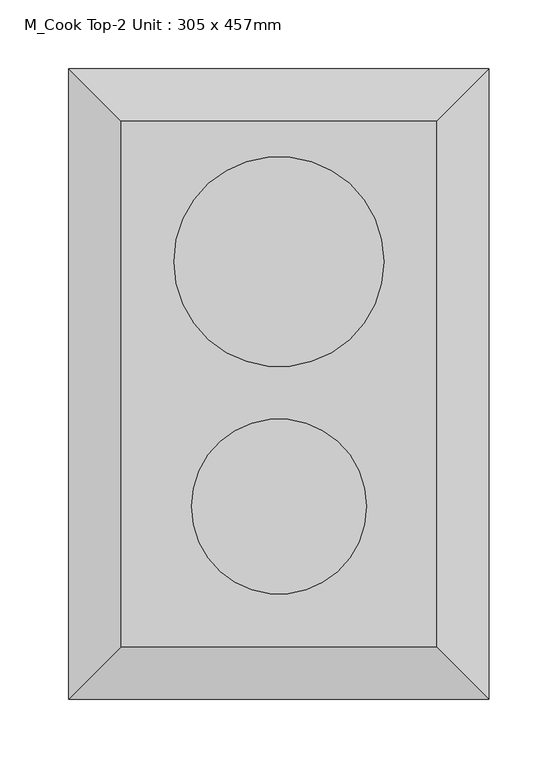
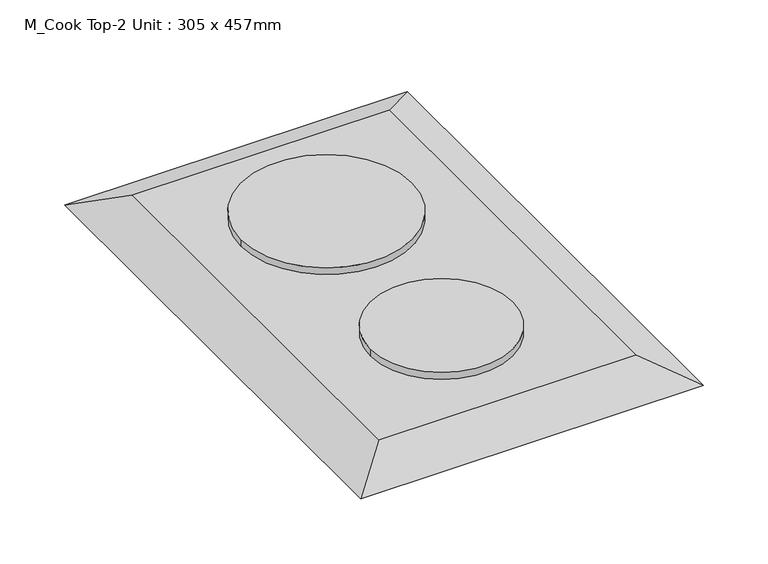
"""IFC4 building model written with IfcOpenShell, lengths in millimetres: proxy geometry, M_Cook Top-2 Unit : 305 x 457mm."""

from ifc_helpers import new_model, si_unit, point, frame, frame_2d, origin, place, context, project, spatial, circle_curve, trimmed, segment, composite_curve, outline, extrude, faceted_brep, source, transform, mapped, element, save


def m_cook_top_2_unit_305_x_457mm_ebea1746(model_context):
    return source(origin(), model_context, "Body", "SolidModel", [
        extrude(outline(composite_curve([segment(trimmed(circle_curve(frame_2d((76.2, 119.0247956)), 76.2), [point((152.4, 119.0247956))], [point((0.0, 119.0247956))], False, "CARTESIAN"), True, "CONTINUOUS"), segment(trimmed(circle_curve(frame_2d((76.2, 119.0247956)), 76.2), [point((0.0, 119.0247956))], [point((152.4, 119.0247956))], False, "CARTESIAN"), True, "CONTINUOUS")], self_intersect=False)), frame((0.0, 0.0, 919.05), z_axis=(0.0, 0.0, 1.0), x_axis=(1.0, 0.0, 0.0)), (0.0, 0.0, 1.0), 6.35),
        extrude(outline(composite_curve([segment(trimmed(circle_curve(frame_2d((76.2, -58.5752044)), 63.5), [point((139.7, -58.5752044))], [point((12.7, -58.5752044))], False, "CARTESIAN"), True, "CONTINUOUS"), segment(trimmed(circle_curve(frame_2d((76.2, -58.5752044)), 63.5), [point((12.7, -58.5752044))], [point((139.7, -58.5752044))], False, "CARTESIAN"), True, "CONTINUOUS")], self_intersect=False)), frame((0.0, 0.0, 919.05), z_axis=(0.0, 0.0, 1.0), x_axis=(1.0, 0.0, 0.0)), (0.0, 0.0, 1.0), 6.35),
        faceted_brep([(190.6, 220.6247956, 919.05), (-38.2, 220.6247956, 919.05), (-38.2, -160.1752044, 919.05), (190.6, -160.1752044, 919.05), (228.7, 258.7247956, 900.0), (228.7, -198.2752044, 900.0), (-76.3, -198.2752044, 900.0), (-76.3, 258.7247956, 900.0)], [[[0, 1, 2, 3]], [[4, 5, 6, 7]], [[4, 7, 1, 0]], [[7, 6, 2, 1]], [[6, 5, 3, 2]], [[5, 4, 0, 3]]]),
    ])


if __name__ == "__main__":
    model = new_model("IFC4")
    model_context = context("Model", 3, world=origin())
    ifc_project = project(units=[si_unit("LENGTHUNIT", "METRE", prefix="MILLI")], contexts=[model_context])
    site = spatial("IfcSite", under=ifc_project)
    building = spatial("IfcBuilding", under=site)
    placement = place(None, origin())
    m_cook_top_2_unit_305_x_457mm_shape = m_cook_top_2_unit_305_x_457mm_ebea1746(model_context)
    element("IfcBuildingElementProxy", 1, Name="M_Cook Top-2 Unit : 305 x 457mm", ObjectType="M_Cook Top-2 Unit : 305 x 457mm", at=placement, inside=building, context=model_context, shape_type="MappedRepresentation", body=[
        mapped(m_cook_top_2_unit_305_x_457mm_shape, transform((0.0, 0.0, 0.0), x_axis=(1.0, 0.0, 0.0), y_axis=(0.0, 1.0, 0.0), z_axis=(0.0, 0.0, 1.0))),
    ])
    save(model, "model.ifc")
